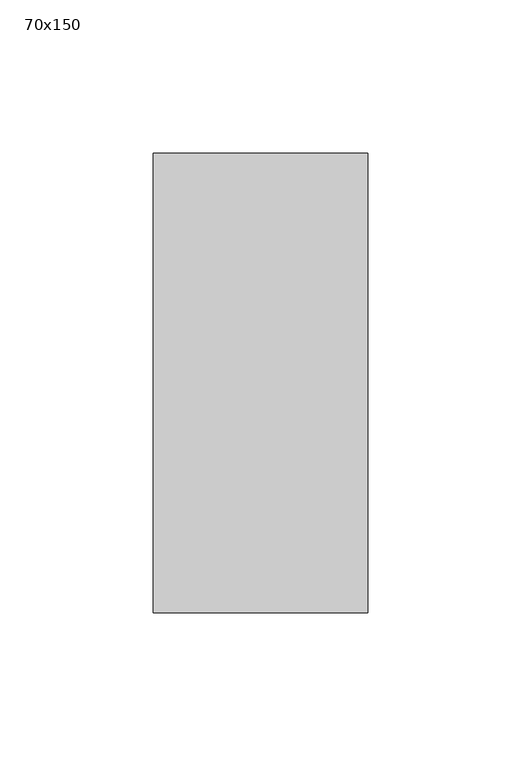
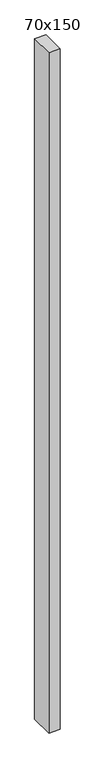
"""IFC4 building model written with IfcOpenShell, lengths in millimetres: member geometry, 70x150."""

import ifcopenshell
import ifcopenshell.guid

model = None  # the IFC model being written
_history = None  # IfcOwnerHistory: only IFC2X3 demands one
_inside = {}  # id of a spatial element -> (the spatial element, [elements in it])
_under = {}  # id of a project, library or spatial element -> (it, [spatial elements below it])
_declared = {}  # id of a project -> (the project, [libraries it declares])
_typed = {}  # id of a type object -> (the type object, [elements of that type])
_made_of = {}  # id of a material, layer set ... -> (it, [elements and type objects made of it])


def new_model(schema):
    """Start an empty IFC model of exactly this schema.

    Asked for "IFC4X3", IfcOpenShell would pick the latest addendum, in which some entities
    have other attributes; the version numbers below select the first issue.
    IFC2X3 requires an IfcOwnerHistory on every rooted entity: one is made here for all.
    """
    global model, _history
    if schema == "IFC4X3":
        model = ifcopenshell.file(schema_version=(4, 3, 0, 0))
    else:
        model = ifcopenshell.file(schema=schema)
    _inside.clear()
    _under.clear()
    _declared.clear()
    _typed.clear()
    _made_of.clear()
    _history = None
    if model.schema == "IFC2X3":
        org = make("IfcOrganization", Name="unknown")
        user = make(
            "IfcPersonAndOrganization",
            ThePerson=make("IfcPerson", FamilyName="unknown"),
            TheOrganization=org,
        )
        app = make(
            "IfcApplication",
            ApplicationDeveloper=org,
            Version="unknown",
            ApplicationFullName="unknown",
            ApplicationIdentifier="unknown",
        )
        _history = make(
            "IfcOwnerHistory",
            OwningUser=user,
            OwningApplication=app,
            ChangeAction="ADDED",
            CreationDate=0,
        )
    return model


def make(cls, **values):
    """One entity of the class cls with the attributes given. An attribute that is None is left unset."""
    return model.create_entity(
        cls, **{name: value for name, value in values.items() if value is not None}
    )


def rooted(cls, **values):
    """An entity with a GlobalId (a new one), such as an element, a storey or a relation."""
    return make(cls, GlobalId=ifcopenshell.guid.new(), OwnerHistory=_history, **values)


def si_unit(unit_type, name, prefix=None):
    """IfcSIUnit, for example si_unit("LENGTHUNIT", "METRE", prefix="MILLI")."""
    return make("IfcSIUnit", UnitType=unit_type, Prefix=prefix, Name=name)


def assignment(units):
    """IfcUnitAssignment: the units of a project."""
    return None if units is None else make("IfcUnitAssignment", Units=units)


def point(xyz):
    """IfcCartesianPoint."""
    return None if xyz is None else make("IfcCartesianPoint", Coordinates=xyz)


def direction(xyz):
    """IfcDirection."""
    return None if xyz is None else make("IfcDirection", DirectionRatios=xyz)


def frame(location, z_axis=None, x_axis=None):
    """IfcAxis2Placement3D, a coordinate frame: its origin and axes. An axis left out is left unset."""
    return make(
        "IfcAxis2Placement3D",
        Location=point(location),
        Axis=direction(z_axis),
        RefDirection=direction(x_axis),
    )


def origin():
    """The frame at (0, 0, 0) with its axes left unset."""
    return frame((0.0, 0.0, 0.0))


def place(relative_to, where):
    """IfcLocalPlacement: puts the frame where relative to a parent placement (None: the world)."""
    return make(
        "IfcLocalPlacement", PlacementRelTo=relative_to, RelativePlacement=where
    )


def context(
    kind, dimensions, precision=None, world=None, true_north=None, identifier=None
):
    """IfcGeometricRepresentationContext, for example the 3D "Model" context."""
    return make(
        "IfcGeometricRepresentationContext",
        ContextIdentifier=identifier,
        ContextType=kind,
        CoordinateSpaceDimension=dimensions,
        Precision=precision,
        WorldCoordinateSystem=world,
        TrueNorth=true_north,
    )


def project(units=None, contexts=None):
    """IfcProject with its units and contexts."""
    return rooted(
        "IfcProject",
        Name="project",
        RepresentationContexts=contexts,
        UnitsInContext=assignment(units),
    )


def spatial(cls, under=None, at=None, **own):
    """A site, building, storey or space (cls), placed at a placement, below another one or the project."""
    s = rooted(cls, ObjectPlacement=at, **own)
    if under is not None:
        _under.setdefault(under.id(), (under, []))[1].append(s)
    return s


def polyline(points):
    """IfcPolyline through the points."""
    return make("IfcPolyline", Points=[point(p) for p in points])


def outline(outer, holes=None, kind="AREA"):
    """IfcArbitraryClosedProfileDef: a profile drawn as a closed curve; with holes, ...WithVoids."""
    if holes is None:
        return make("IfcArbitraryClosedProfileDef", ProfileType=kind, OuterCurve=outer)
    return make(
        "IfcArbitraryProfileDefWithVoids",
        ProfileType=kind,
        OuterCurve=outer,
        InnerCurves=holes,
    )


def extrude(swept, where, along, depth):
    """IfcExtrudedAreaSolid: the profile swept, set in the frame where, extruded along a direction by depth."""
    return make(
        "IfcExtrudedAreaSolid",
        SweptArea=swept,
        Position=where,
        ExtrudedDirection=direction(along),
        Depth=depth,
    )


def shape(context_of_items, identifier, shape_type, items):
    """IfcShapeRepresentation: the items that make up one representation, for example the "Body"."""
    return make(
        "IfcShapeRepresentation",
        ContextOfItems=context_of_items,
        RepresentationIdentifier=identifier,
        RepresentationType=shape_type,
        Items=items,
    )


def source(mapping_origin, context_of_items, identifier, shape_type, items):
    """IfcRepresentationMap: a shape defined once, which mapped items show again and again."""
    return make(
        "IfcRepresentationMap",
        MappingOrigin=mapping_origin,
        MappedRepresentation=shape(context_of_items, identifier, shape_type, items),
    )


def transform(
    local_origin,
    x_axis=None,
    y_axis=None,
    z_axis=None,
    scale=None,
    scale2=None,
    scale3=None,
    uniform=True,
):
    """IfcCartesianTransformationOperator3D, or its non-uniform kind. x_axis, y_axis, z_axis: its Axis1, 2, 3."""
    if uniform:
        return make(
            "IfcCartesianTransformationOperator3D",
            Axis1=direction(x_axis),
            Axis2=direction(y_axis),
            LocalOrigin=point(local_origin),
            Scale=scale,
            Axis3=direction(z_axis),
        )
    return make(
        "IfcCartesianTransformationOperator3DnonUniform",
        Axis1=direction(x_axis),
        Axis2=direction(y_axis),
        LocalOrigin=point(local_origin),
        Scale=scale,
        Axis3=direction(z_axis),
        Scale2=scale2,
        Scale3=scale3,
    )


def mapped(mapping_source, mapping_target):
    """IfcMappedItem: shows the shape of a source again, moved by a transform."""
    return make(
        "IfcMappedItem", MappingSource=mapping_source, MappingTarget=mapping_target
    )


def made_of(thing, what):
    """Note that an element or type object is made of a material, layer set ...; save() writes the relation."""
    if what is not None:
        _made_of.setdefault(what.id(), (what, []))[1].append(thing)
    return thing


def element(
    cls,
    number,
    at=None,
    inside=None,
    cuts=None,
    type_object=None,
    material=None,
    context=None,
    identifier="Body",
    shape_type=None,
    held_by="IfcProductDefinitionShape",
    body=None,
    shapes=None,
    **own,
):
    """One element of the class cls, such as IfcWall. Its Tag is "e" and its number.

    at: its placement. inside: the storey or other place that contains it. cuts: it is an
    opening in that element (IfcRelVoidsElement). A single representation is given by context,
    identifier, shape_type and body (its items); several are given by shapes. held_by: the class
    of the entity that holds the representations. save() writes the other relations.
    """
    e = rooted(cls, Tag="e%d" % number, ObjectPlacement=at, **own)
    if body is not None:
        shapes = [shape(context, identifier, shape_type, body)]
    if shapes is not None:
        e.Representation = make(held_by, Representations=shapes)
    if inside is not None:
        _inside.setdefault(inside.id(), (inside, []))[1].append(e)
    if cuts is not None:
        rooted(
            "IfcRelVoidsElement", RelatingBuildingElement=cuts, RelatedOpeningElement=e
        )
    if type_object is not None:
        _typed.setdefault(type_object.id(), (type_object, []))[1].append(e)
    return made_of(e, material)


def aggregate(whole, parts):
    """IfcRelAggregates: a whole, such as a stair, and the parts it consists of."""
    return rooted("IfcRelAggregates", RelatingObject=whole, RelatedObjects=parts)


def save(model, path):
    """Write the relations noted so far, then the file.

    IfcRelAggregates (storeys below a building ...), IfcRelContainedInSpatialStructure (elements
    in a storey), IfcRelDefinesByType, IfcRelAssociatesMaterial and IfcRelDeclares: one each for
    every whole, place, type object, material and project.
    """
    for whole, parts in _under.values():
        aggregate(whole, parts)
    for where, things in _inside.values():
        rooted(
            "IfcRelContainedInSpatialStructure",
            RelatedElements=things,
            RelatingStructure=where,
        )
    for kind, things in _typed.values():
        rooted("IfcRelDefinesByType", RelatedObjects=things, RelatingType=kind)
    for what, things in _made_of.values():
        rooted("IfcRelAssociatesMaterial", RelatedObjects=things, RelatingMaterial=what)
    for by, libraries in _declared.values():
        rooted("IfcRelDeclares", RelatingContext=by, RelatedDefinitions=libraries)
    model.write(path)


def member_70x150_d4b40724(model_context):
    return source(origin(), model_context, "Body", "SweptSolid", [
        extrude(outline(polyline([(0.0, 75.0), (0.0, -75.0), (-70.0, -75.0), (-70.0, 75.0), (0.0, 75.0)])), frame((0.0, 0.0, -4413.3333333), z_axis=(0.0, 0.0, 1.0), x_axis=(1.0, 0.0, 0.0)), (0.0, 0.0, 1.0), 4413.3333333),
    ])


if __name__ == "__main__":
    model = new_model("IFC4")
    model_context = context("Model", 3, world=origin())
    ifc_project = project(units=[si_unit("LENGTHUNIT", "METRE", prefix="MILLI")], contexts=[model_context])
    site = spatial("IfcSite", under=ifc_project)
    building = spatial("IfcBuilding", under=site)
    placement = place(None, origin())
    member_70x150_shape = member_70x150_d4b40724(model_context)
    element("IfcMember", 1, ObjectType="70x150", at=placement, inside=building, context=model_context, shape_type="MappedRepresentation", body=[
        mapped(member_70x150_shape, transform((0.0, 0.0, 0.0), x_axis=(1.0, 0.0, 0.0), y_axis=(0.0, 1.0, 0.0), z_axis=(0.0, 0.0, 1.0))),
    ])
    save(model, "model.ifc")
